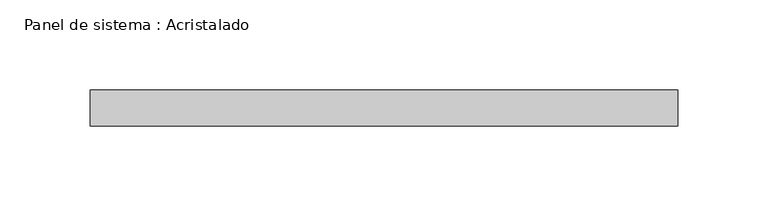
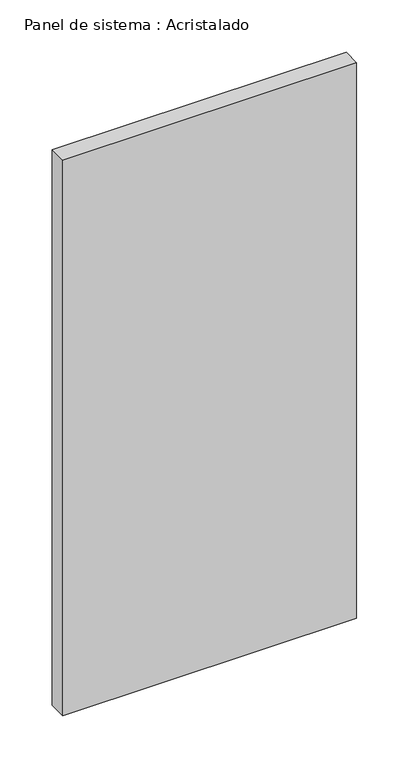
"""IFC4 building model written with IfcOpenShell, lengths in millimetres: plate geometry, Panel de sistema : Acristalado."""

from ifc_helpers import new_model, si_unit, origin, origin_with_axes, place, context, project, spatial, polyline, outline, extrude, source, transform, mapped, element, save


def panel_de_sistema_acristalado_cfd9ce7e(model_context):
    return source(origin(), model_context, "Body", "SweptSolid", [
        extrude(outline(polyline([(162.5, -10.0), (-162.5, -10.0), (-162.5, 10.0), (162.5, 10.0), (162.5, -10.0)])), origin_with_axes(), (0.0, 0.0, 1.0), 648.7704445),
    ])


if __name__ == "__main__":
    model = new_model("IFC4")
    model_context = context("Model", 3, world=origin())
    ifc_project = project(units=[si_unit("LENGTHUNIT", "METRE", prefix="MILLI")], contexts=[model_context])
    site = spatial("IfcSite", under=ifc_project)
    building = spatial("IfcBuilding", under=site)
    placement = place(None, origin())
    panel_de_sistema_acristalado_shape = panel_de_sistema_acristalado_cfd9ce7e(model_context)
    element("IfcPlate", 1, ObjectType="Panel de sistema : Acristalado", at=placement, inside=building, context=model_context, shape_type="MappedRepresentation", body=[
        mapped(panel_de_sistema_acristalado_shape, transform((0.0, 0.0, 0.0), x_axis=(1.0, 0.0, 0.0), y_axis=(0.0, 1.0, 0.0), z_axis=(0.0, 0.0, 1.0))),
    ])
    save(model, "model.ifc")
